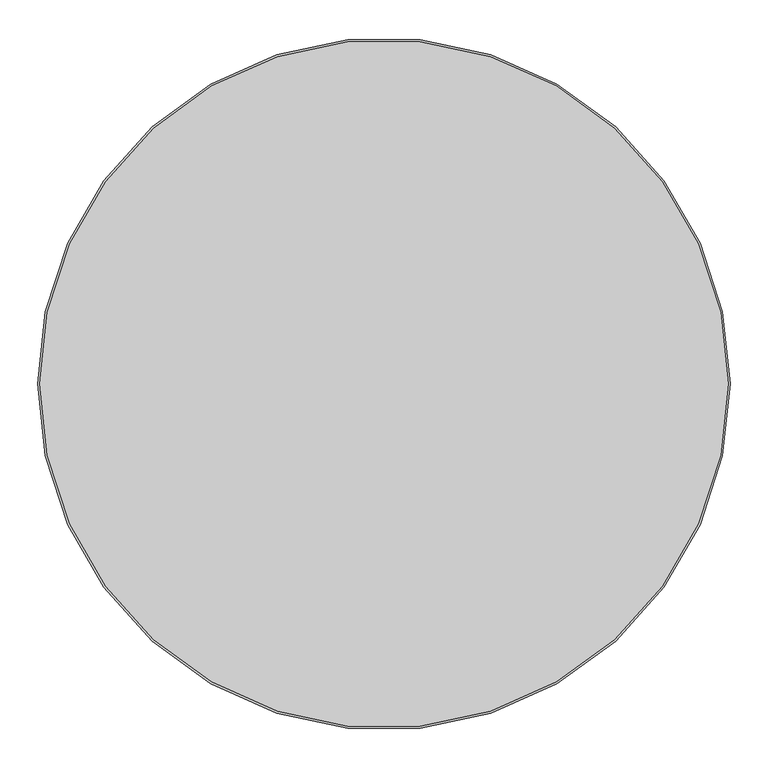
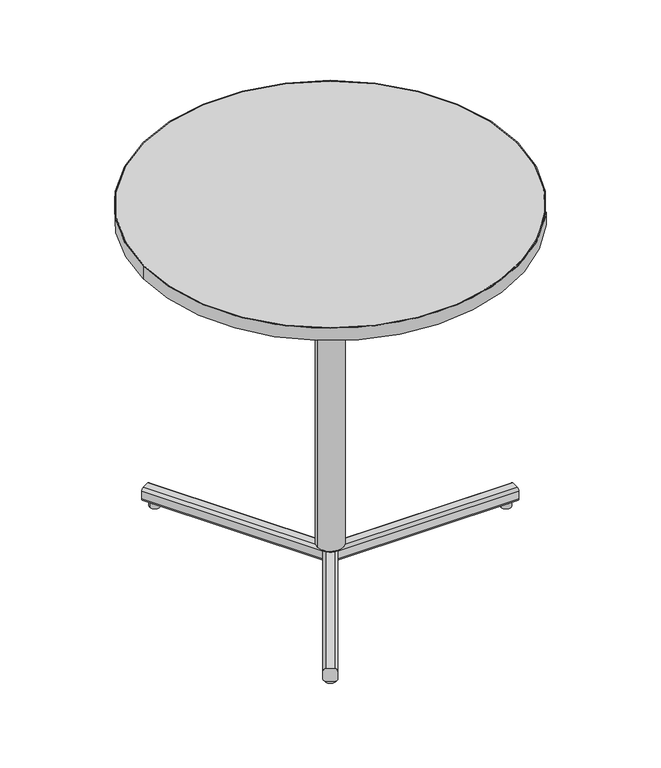
"""IFC4 building model written with IfcOpenShell, lengths in millimetres: furniture geometry."""

from ifc_helpers import new_model, si_unit, point, frame, frame_2d, origin, origin_with_axes, origin_2d, place, context, project, spatial, polyline, circle_curve, trimmed, segment, composite_curve, outline, extrude, faceted_brep, source, transform, mapped, element, save


def furniture_ac11d569(model_context):
    return source(origin(), model_context, "Body", "SolidModel", [
        faceted_brep([(-48.3465011, -23.4135745, 838.1999758), (-159.2726412, -215.5432976, 892.1750242), (-171.782222, -237.2105285, 892.1750242), (-171.782222, -237.2105285, 895.3499758), (-138.9359747, -180.3191557, 895.3499758), (-51.2271409, -28.4029894, 852.6721302), (-34.8286687, -6e-07, 852.6721302), (-34.8286687, -6e-07, 841.375), (-40.5518126, -9.9127771, 841.375), (-40.5518126, -9.9127771, 838.1999758), (1.0158634, -58.5655, 852.6721302), (-86.6929704, -210.4816663, 895.3499758), (-119.5392177, -267.3730391, 895.3499758), (-119.5392177, -267.3730391, 892.1750242), (-107.0296369, -245.7058083, 892.1750242), (3.8965032, -53.5760851, 838.1999758), (9.484502, -43.8973868, 838.1999758), (9.484502, -43.8973868, 841.375), (17.4143351, -30.1625121, 841.375), (17.4143351, -30.1625121, 852.6721302), (-40.5518126, 9.9127752, 838.1999758), (-48.3465018, 23.4135729, 838.1999758), (3.8965015, 53.5760853, 838.1999758), (9.484501, 43.8973863, 838.1999758), (18.9864864, 49.3833592, 838.1999758), (33.2739864, 41.1344805, 838.1999758), (33.3073262, 30.1625121, 838.1999758), (33.3073262, -30.1625121, 838.1999758), (33.2739864, -41.1344805, 838.1999758), (18.9864864, -49.3833592, 838.1999758), (39.0686061, -30.1625121, 852.6721302), (39.0686061, 30.1625121, 852.6721302), (17.4143344, 30.1625121, 852.6721302), (1.0158615, 58.5655, 852.6721302), (-51.2271418, 28.4029877, 852.6721302), (0.0, -12.4654635, 852.6721302), (-21.5908169, -3e-07, 852.6721302), (0.0, 12.4654637, 852.6721302), (0.0, -12.4654635, 841.375), (-21.5908169, -3e-07, 841.375), (255.1596173, -30.1625121, 892.1750242), (280.17878, -30.1625121, 892.1750242), (280.17878, -30.1625121, 895.3499758), (214.4862823, -30.1625121, 895.3499758), (33.2739864, -30.1625121, 841.375), (214.4862823, 30.1625121, 895.3499758), (280.17878, 30.1625121, 895.3499758), (280.17878, 30.1625121, 892.1750242), (255.1596173, 30.1625121, 892.1750242), (33.2739864, 30.1625121, 841.375), (17.4143344, 30.1625121, 841.375), (0.0, 12.4654637, 841.375), (-107.0296449, 245.7058048, 892.1750242), (-119.5392263, 267.3730352, 892.1750242), (-119.5392263, 267.3730352, 895.3499758), (-86.6929772, 210.4816635, 895.3499758), (9.484501, 43.8973863, 841.375), (-138.9359805, 180.3191512, 895.3499758), (-171.7822296, 237.2105229, 895.3499758), (-171.7822296, 237.2105229, 892.1750242), (-159.2726482, 215.5432925, 892.1750242), (-40.5518126, 9.9127752, 841.375), (33.2739864, 41.1344805, 841.375), (18.9864864, 49.3833592, 841.375), (18.9864864, -49.3833592, 841.375), (33.2739864, -41.1344805, 841.375)], [[[0, 1, 2, 3, 4, 5, 6, 7, 8, 9]], [[10, 11, 12, 13, 14, 15, 16, 17, 18, 19]], [[15, 0, 9, 20, 21, 22, 23, 24, 25, 26, 27, 28, 29, 16]], [[1, 0, 15, 14]], [[2, 1, 14, 13]], [[3, 2, 13, 12]], [[4, 3, 12, 11]], [[5, 4, 11, 10]], [[5, 10, 19, 30, 31, 32, 33, 34, 6], [35, 36, 37]], [[36, 35, 38, 39]], [[27, 40, 41, 42, 43, 30, 19, 18, 44]], [[31, 45, 46, 47, 48, 26, 49, 50, 32]], [[40, 27, 26, 48]], [[41, 40, 48, 47]], [[42, 41, 47, 46]], [[43, 42, 46, 45]], [[30, 43, 45, 31]], [[35, 37, 51, 38]], [[22, 52, 53, 54, 55, 33, 32, 50, 56, 23]], [[34, 57, 58, 59, 60, 21, 20, 61, 7, 6]], [[52, 22, 21, 60]], [[53, 52, 60, 59]], [[54, 53, 59, 58]], [[55, 54, 58, 57]], [[33, 55, 57, 34]], [[37, 36, 39, 51]], [[39, 38, 51]], [[62, 63, 56, 50, 49]], [[64, 65, 44, 18, 17]], [[61, 8, 7]], [[65, 28, 27, 44]], [[25, 62, 49, 26]], [[63, 62, 25, 24]], [[63, 24, 23, 56]], [[20, 9, 8, 61]], [[29, 64, 17, 16]], [[65, 64, 29, 28]]]),
        extrude(outline(composite_curve([segment(polyline([(-15.8750121, 19.0500004), (-15.8750121, 38.0999985)]), True, "CONTINUOUS"), segment(trimmed(circle_curve(frame_2d((-9.5250121, 38.0999985)), 6.35), [point((-15.8750121, 38.0999985))], [point((-9.5250121, 44.4499985))], False, "CARTESIAN"), True, "CONTINUOUS"), segment(polyline([(-9.5250121, 44.4499985), (9.5250121, 44.4499985)]), True, "CONTINUOUS"), segment(trimmed(circle_curve(frame_2d((9.5250121, 38.0999985)), 6.35), [point((9.5250121, 44.4499985))], [point((15.8750121, 38.0999985))], False, "CARTESIAN"), True, "CONTINUOUS"), segment(polyline([(15.8750121, 38.0999985), (15.8750121, 19.0500004)]), True, "CONTINUOUS"), segment(trimmed(circle_curve(frame_2d((9.5250121, 19.0500004)), 6.35), [point((15.8750121, 19.0500004))], [point((9.5250121, 12.7000004))], False, "CARTESIAN"), True, "CONTINUOUS"), segment(polyline([(9.5250121, 12.7000004), (-9.5250121, 12.7000004)]), True, "CONTINUOUS"), segment(trimmed(circle_curve(frame_2d((-9.5250121, 19.0500004)), 6.35), [point((-9.5250121, 12.7000004))], [point((-15.8750121, 19.0500004))], False, "CARTESIAN"), True, "CONTINUOUS")], self_intersect=False)), frame((1.524, 0.0, 0.0), z_axis=(1.0, 0.0, 0.0), x_axis=(0.0, 1.0, 0.0)), (0.0, 0.0, 1.0), 449.58),
        extrude(outline(composite_curve([segment(trimmed(circle_curve(origin_2d(), 454.66), [point((454.66, 0.0))], [point((-454.66, 0.0))], False, "CARTESIAN"), True, "CONTINUOUS"), segment(trimmed(circle_curve(origin_2d(), 454.66), [point((-454.66, 0.0))], [point((454.66, 0.0))], False, "CARTESIAN"), True, "CONTINUOUS")], self_intersect=False)), frame((0.0, 0.0, 895.3499758), z_axis=(0.0, 0.0, 1.0), x_axis=(1.0, 0.0, 0.0)), (0.0, 0.0, 1.0), 31.7500242),
        extrude(outline(composite_curve([segment(trimmed(circle_curve(frame_2d((0.0, -6.35)), 6.35), [point((0.0, 0.0))], [point((6.35, -6.35))], False, "CARTESIAN"), True, "CONTINUOUS"), segment(polyline([(6.35, -6.35), (6.35, -25.4000242)]), True, "CONTINUOUS"), segment(trimmed(circle_curve(frame_2d((0.0, -25.4000242)), 6.35), [point((6.35, -25.4000242))], [point((0.0, -31.7500242))], False, "CARTESIAN"), True, "CONTINUOUS"), segment(polyline([(0.0, -31.7500242), (-19.0499981, -31.7500242)]), True, "CONTINUOUS"), segment(trimmed(circle_curve(frame_2d((-19.0499981, -25.4000242)), 6.35), [point((-19.0499981, -31.7500242))], [point((-25.3999981, -25.4000242))], False, "CARTESIAN"), True, "CONTINUOUS"), segment(polyline([(-25.3999981, -25.4000242), (-25.3999981, -6.35)]), True, "CONTINUOUS"), segment(trimmed(circle_curve(frame_2d((-19.0499981, -6.35)), 6.35), [point((-25.3999981, -6.35))], [point((-19.0499981, 0.0))], False, "CARTESIAN"), True, "CONTINUOUS"), segment(polyline([(-19.0499981, 0.0), (0.0, 0.0)]), True, "CONTINUOUS")], self_intersect=False)), frame((-14.5101648, -6.6176815, 19.0500004), z_axis=(-0.4999999993089117, 0.8660254041834387, 0.0), x_axis=(0.0, 0.0, -1.0)), (0.0, 0.0, 1.0), 449.58),
        extrude(outline(composite_curve([segment(trimmed(circle_curve(frame_2d((19.0499981, -6.3500001)), 6.35), [point((19.0499981, 0.0))], [point((25.3999981, -6.3500001))], False, "CARTESIAN"), True, "CONTINUOUS"), segment(polyline([(25.3999981, -6.3500001), (25.3999981, -25.4000243)]), True, "CONTINUOUS"), segment(trimmed(circle_curve(frame_2d((19.0499981, -25.4000243)), 6.35), [point((25.3999981, -25.4000243))], [point((19.0499981, -31.7500243))], False, "CARTESIAN"), True, "CONTINUOUS"), segment(polyline([(19.0499981, -31.7500243), (0.0, -31.7500243)]), True, "CONTINUOUS"), segment(trimmed(circle_curve(frame_2d((0.0, -25.4000243)), 6.35), [point((0.0, -31.7500243))], [point((-6.35, -25.4000243))], False, "CARTESIAN"), True, "CONTINUOUS"), segment(polyline([(-6.35, -25.4000243), (-6.35, -6.3500001)]), True, "CONTINUOUS"), segment(trimmed(circle_curve(frame_2d((0.0, -6.3500001)), 6.35), [point((-6.35, -6.3500001))], [point((0.0, 0.0))], False, "CARTESIAN"), True, "CONTINUOUS"), segment(polyline([(0.0, 0.0), (19.0499981, 0.0)]), True, "CONTINUOUS")], self_intersect=False)), frame((-239.3001656, -382.7300215, 38.0999985), z_axis=(0.49999999930891736, 0.8660254041834354, 0.0), x_axis=(0.0, 0.0, -1.0)), (0.0, 0.0, 1.0), 449.58),
        extrude(outline(composite_curve([segment(trimmed(circle_curve(frame_2d((-214.3425883, -371.0361251)), 12.7000242), [point((-201.6425641, -371.0361251))], [point((-227.0426125, -371.0361251))], False, "CARTESIAN"), True, "CONTINUOUS"), segment(trimmed(circle_curve(frame_2d((-214.3425883, -371.0361251)), 12.7000242), [point((-227.0426125, -371.0361251))], [point((-201.6425641, -371.0361251))], False, "CARTESIAN"), True, "CONTINUOUS")], self_intersect=False)), origin_with_axes(), (0.0, 0.0, 1.0), 12.7000004),
        extrude(outline(composite_curve([segment(trimmed(circle_curve(frame_2d((-214.3425851, 371.0361245)), 12.7000242), [point((-201.6425609, 371.0361245))], [point((-227.0426093, 371.0361245))], False, "CARTESIAN"), True, "CONTINUOUS"), segment(trimmed(circle_curve(frame_2d((-214.3425851, 371.0361245)), 12.7000242), [point((-227.0426093, 371.0361245))], [point((-201.6425609, 371.0361245))], False, "CARTESIAN"), True, "CONTINUOUS")], self_intersect=False)), origin_with_axes(), (0.0, 0.0, 1.0), 12.7000004),
        extrude(outline(composite_curve([segment(trimmed(circle_curve(frame_2d((428.498, -0.108074)), 12.7000242), [point((441.1980242, -0.108074))], [point((415.7979758, -0.108074))], False, "CARTESIAN"), True, "CONTINUOUS"), segment(trimmed(circle_curve(frame_2d((428.498, -0.108074)), 12.7000242), [point((415.7979758, -0.108074))], [point((441.1980242, -0.108074))], False, "CARTESIAN"), True, "CONTINUOUS")], self_intersect=False)), origin_with_axes(), (0.0, 0.0, 1.0), 12.7000004),
        extrude(outline(composite_curve([segment(trimmed(circle_curve(origin_2d(), 31.7499879), [point((31.7499879, 0.0))], [point((-31.7499879, 0.0))], False, "CARTESIAN"), True, "CONTINUOUS"), segment(trimmed(circle_curve(origin_2d(), 31.7499879), [point((-31.7499879, 0.0))], [point((31.7499879, 0.0))], False, "CARTESIAN"), True, "CONTINUOUS")], self_intersect=False)), frame((0.0, 0.0, 53.9749985), z_axis=(0.0, 0.0, 1.0), x_axis=(1.0, 0.0, 0.0)), (0.0, 0.0, 1.0), 841.3749773),
        extrude(outline(composite_curve([segment(trimmed(circle_curve(origin_2d(), 22.2249879), [point((22.2249879, 0.0))], [point((-22.2249879, 0.0))], False, "CARTESIAN"), True, "CONTINUOUS"), segment(trimmed(circle_curve(origin_2d(), 22.2249879), [point((-22.2249879, 0.0))], [point((22.2249879, 0.0))], False, "CARTESIAN"), True, "CONTINUOUS")], self_intersect=False)), frame((0.0, 0.0, 44.4499985), z_axis=(0.0, 0.0, 1.0), x_axis=(1.0, 0.0, 0.0)), (0.0, 0.0, 1.0), 9.525),
        extrude(outline(composite_curve([segment(trimmed(circle_curve(origin_2d(), 457.2), [point((457.2, 0.0))], [point((-457.2, 0.0))], False, "CARTESIAN"), True, "CONTINUOUS"), segment(trimmed(circle_curve(origin_2d(), 457.2), [point((-457.2, 0.0))], [point((457.2, 0.0))], False, "CARTESIAN"), True, "CONTINUOUS")], self_intersect=False), holes=[composite_curve([segment(trimmed(circle_curve(origin_2d(), 454.66), [point((-454.66, 0.0))], [point((454.66, 0.0))], True, "CARTESIAN"), True, "CONTINUOUS"), segment(trimmed(circle_curve(origin_2d(), 454.66), [point((454.66, 0.0))], [point((-454.66, 0.0))], True, "CARTESIAN"), True, "CONTINUOUS")], self_intersect=False)]), frame((0.0, 0.0, 895.3499758), z_axis=(0.0, 0.0, 1.0), x_axis=(1.0, 0.0, 0.0)), (0.0, 0.0, 1.0), 31.7500242),
    ])


if __name__ == "__main__":
    model = new_model("IFC4")
    model_context = context("Model", 3, world=origin())
    ifc_project = project(units=[si_unit("LENGTHUNIT", "METRE", prefix="MILLI")], contexts=[model_context])
    site = spatial("IfcSite", under=ifc_project)
    building = spatial("IfcBuilding", under=site)
    placement = place(None, origin())
    furniture_shape = furniture_ac11d569(model_context)
    element("IfcFurniture", 1, at=placement, inside=building, context=model_context, shape_type="MappedRepresentation", body=[
        mapped(furniture_shape, transform((0.0, 0.0, 0.0), x_axis=(1.0, 0.0, 0.0), y_axis=(0.0, 1.0, 0.0), z_axis=(0.0, 0.0, 1.0))),
    ])
    save(model, "model.ifc")
